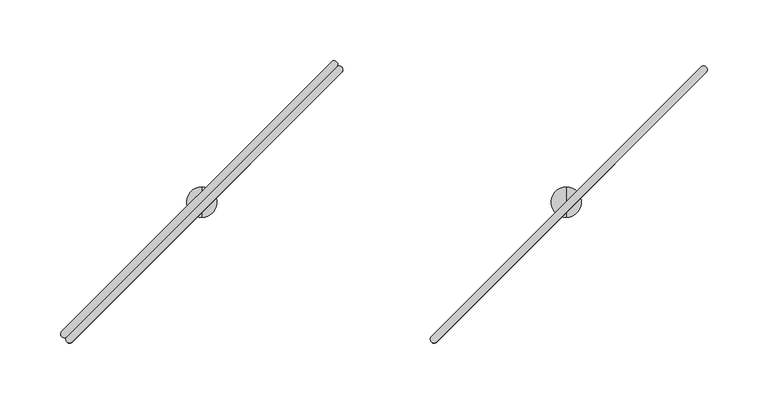
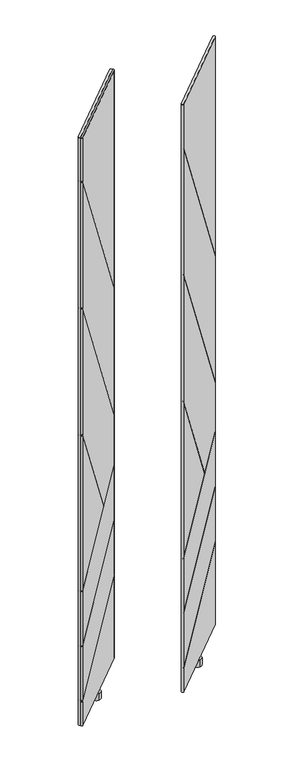
"""IFC4 building model written with IfcOpenShell, lengths in millimetres: furniture geometry."""

from ifc_helpers import new_model, si_unit, frame, origin, place, context, project, spatial, circle_curve, ellipse_curve, source, transform, mapped, element, save
from ifc_brep_helpers import plane_surface, cylinder_surface, advanced_brep


def furniture_6b65bc05(model_context):
    return source(origin(), model_context, "Body", "AdvancedBrep", [
        advanced_brep(
        [(189.0394266, -183.0083649, 1894.2939983), (193.3021387, -187.2719392, 1894.2939983), (415.3105076, 34.7398168, 1894.2939983), (411.0965142, 38.9555155, 1894.2939983), (189.0394267, -183.0083649, 44.4119983), (411.0965142, 38.9555155, 44.4119983), (415.3105076, 34.7398168, 44.4119983), (193.3021387, -187.2719392, 44.4119983), (193.3021387, -187.2719392, 120.9230364), (189.7070723, -187.7758015, 119.2357715), (189.7070723, -187.7758015, 122.9389644), (193.3021387, -187.2719392, 124.6262293), (193.3021387, -187.2719392, 294.7622819), (189.7070723, -187.7758015, 293.075073), (189.7070723, -187.7758015, 294.8972637), (193.3021387, -187.2719392, 296.5844727), (193.3021387, -187.2719392, 467.5787569), (189.7070723, -187.7758015, 465.8913563), (189.7070723, -187.7758015, 467.7135995), (193.3021387, -187.2719392, 469.401), (193.3021387, -187.2719392, 952.1281208), (189.7070723, -187.7758015, 957.1929532), (189.7070723, -187.7758015, 960.3636054), (193.3021387, -187.2719392, 955.298773), (193.3021387, -187.2719392, 1351.5829255), (189.7070723, -187.7758015, 1356.6477579), (189.7070723, -187.7758015, 1359.81841), (193.3021387, -187.2719392, 1354.7535777), (193.3021387, -187.2719392, 1751.0355622), (189.7070723, -187.7758015, 1756.1013739), (189.7070723, -187.7758015, 1759.272488), (193.3021387, -187.2719392, 1754.2066762), (415.3105076, 34.7398168, 307.4007086), (415.3105076, 34.7398168, 477.530707), (415.3105076, 34.7398168, 479.3528977), (415.3105076, 34.7398168, 650.3679393), (339.8202556, -40.7515869, 590.0357623), (340.7826171, -39.7892108, 590.8281165), (415.3105076, 34.7398168, 652.1901824), (415.3105076, 34.7398168, 802.9304065), (415.3105076, 34.7398168, 806.1010587), (415.3105076, 34.7398168, 1202.2769503), (415.3105076, 34.7398168, 1205.4480643), (415.3105076, 34.7398168, 303.6975157), (415.7462357, 38.263362, 1200.5548508), (415.7462357, 38.263362, 1197.3837367), (415.7462357, 38.263362, 801.2087912), (415.7462357, 38.263362, 798.038139), (415.7462357, 38.263362, 653.8200912), (415.7462357, 38.263362, 651.9978481), (415.7462357, 38.263362, 480.9826215), (415.7462357, 38.263362, 479.1604307), (415.7462357, 38.263362, 309.0304863), (415.7462357, 38.263362, 305.3272934), (339.23814, -38.2447337, 590.8281165), (338.2757712, -39.2071025, 590.0357623)],
        [
            (0, 1, circle_curve(frame((191.1705508, -185.1403839, 1894.2939983), z_axis=(0.0, 0.0, 1.0), x_axis=(-0.7072551987263337, -0.7069583324882551, 0.0)), 3.0144975)),
            (1, 2),
            (2, 3, circle_curve(frame((413.1513589, 36.7955352, 1894.2939983), z_axis=(0.0, 0.0, 1.0), x_axis=(0.6895472047235311, 0.7242407420588576, 0.0)), 2.9812584)),
            (3, 0),
            (4, 5),
            (5, 6, circle_curve(frame((413.1513589, 36.7955352, 44.4119983), z_axis=(0.0, 0.0, -1.0), x_axis=(0.6895472047235311, 0.7242407420588576, 0.0)), 2.9812584)),
            (6, 7),
            (7, 4, circle_curve(frame((191.1705508, -185.1403839, 44.4119983), z_axis=(0.0, 0.0, -1.0), x_axis=(-0.7072551987263337, -0.7069583324882551, 0.0)), 3.0144975)),
            (0, 4),
            (7, 8),
            (8, 9, ellipse_curve(frame((191.1705508, -185.1403839, 120.923023), z_axis=(0.3557466555065141, 0.35574665550651347, -0.8642271889913322), x_axis=(0.6111009058215596, 0.6111009058215586, 0.5031017449861808)), 3.4880845, 3.0144975)),
            (9, 10),
            (10, 11, ellipse_curve(frame((191.1705508, -185.1403839, 124.6262159), z_axis=(-0.3557466555065138, -0.3557466555065132, 0.8642271889913322), x_axis=(0.6111009058215596, 0.6111009058215585, 0.5031017449861812)), 3.4880845, 3.0144975)),
            (11, 12),
            (12, 13, ellipse_curve(frame((191.1705508, -185.1403839, 294.7622685), z_axis=(0.3557378542673982, 0.35573785426739757, -0.8642344346775678), x_axis=(0.611106029295431, 0.61110602929543, 0.5030892981544577)), 3.4880553, 3.0144975)),
            (13, 14),
            (14, 15, ellipse_curve(frame((191.1705508, -185.1403839, 296.5844593), z_axis=(-0.3557378542673982, -0.35573785426739757, 0.8642344346775679), x_axis=(0.6111060292954311, 0.6111060292954301, 0.5030892981544572)), 3.4880553, 3.0144975)),
            (15, 16),
            (16, 17, ellipse_curve(frame((191.1705508, -185.1403839, 467.5787435), z_axis=(0.35576802902276067, 0.35576802902276006, -0.8642095920843049), x_axis=(0.6110884629292728, 0.6110884629292717, 0.5031319717027326)), 3.4881556, 3.0144975)),
            (17, 18),
            (18, 19, ellipse_curve(frame((191.1705508, -185.1403839, 469.4009867), z_axis=(-0.3557680290227606, -0.35576802902276, 0.864209592084305), x_axis=(0.6110884629292728, 0.6110884629292717, 0.5031319717027324)), 3.4881556, 3.0144975)),
            (19, 20),
            (20, 21, ellipse_curve(frame((191.1705508, -185.1403839, 952.128161), z_axis=(-0.6137217711363941, -0.6137217711363931, -0.4966801538882102), x_axis=(-0.3512059048951317, -0.3512059048951311, 0.8679336522647246)), 6.0692932, 3.0144975)),
            (21, 22),
            (22, 23, ellipse_curve(frame((191.1705508, -185.1403839, 955.2988132), z_axis=(0.6137217711363941, 0.613721771136393, 0.49668015388821024), x_axis=(-0.35120590489513176, -0.3512059048951311, 0.8679336522647245)), 6.0692932, 3.0144975)),
            (23, 24),
            (24, 25, ellipse_curve(frame((191.1705508, -185.1403839, 1351.5829657), z_axis=(-0.6137217711363941, -0.6137217711363931, -0.4966801538882103), x_axis=(-0.35120590489513176, -0.3512059048951312, 0.8679336522647245)), 6.0692932, 3.0144975)),
            (25, 26),
            (26, 27, ellipse_curve(frame((191.1705508, -185.1403839, 1354.7536178), z_axis=(0.6137217711363941, 0.6137217711363931, 0.4966801538882103), x_axis=(-0.35120590489513176, -0.3512059048951312, 0.8679336522647245)), 6.0692932, 3.0144975)),
            (27, 28),
            (28, 29, ellipse_curve(frame((191.1705508, -185.1403839, 1751.0356024), z_axis=(-0.6137510408992914, -0.6137510408992903, -0.4966078126550913), x_axis=(-0.351154751918634, -0.3511547519186334, 0.8679750459603811)), 6.0701774, 3.0144975)),
            (29, 30),
            (30, 31, ellipse_curve(frame((191.1705508, -185.1403839, 1754.2067164), z_axis=(0.6137510408992906, 0.6137510408992916, 0.4966078126550908), x_axis=(-0.351154751918633, -0.35115475191863355, 0.8679750459603813)), 6.0701774, 3.0144975)),
            (31, 1),
            (11, 32),
            (32, 33),
            (33, 12),
            (15, 34),
            (34, 35),
            (35, 16),
            (19, 36),
            (36, 20),
            (23, 37),
            (37, 38),
            (38, 39),
            (39, 24),
            (27, 40),
            (40, 41),
            (41, 28),
            (31, 42),
            (42, 2),
            (6, 43),
            (43, 8),
            (42, 44, ellipse_curve(frame((413.1513589, 36.7955352, 1205.5758926), z_axis=(0.6137510408992906, 0.6137510408992916, 0.4966078126550908), x_axis=(-0.351154751918633, -0.35115475191863355, 0.8679750459603813)), 6.003245, 2.9812584)),
            (44, 45),
            (45, 41, ellipse_curve(frame((413.1513589, 36.7955352, 1202.4047785), z_axis=(-0.6137510408992914, -0.6137510408992903, -0.4966078126550913), x_axis=(-0.351154751918634, -0.3511547519186334, 0.8679750459603811)), 6.003245, 2.9812584)),
            (40, 46, ellipse_curve(frame((413.1513589, 36.7955352, 806.2288622), z_axis=(0.6137217711363941, 0.6137217711363931, 0.4966801538882103), x_axis=(-0.35120590489513176, -0.3512059048951312, 0.8679336522647245)), 6.0023706, 2.9812584)),
            (46, 47),
            (47, 39, ellipse_curve(frame((413.1513589, 36.7955352, 803.0582101), z_axis=(-0.6137217711363941, -0.6137217711363931, -0.4966801538882103), x_axis=(-0.35120590489513176, -0.3512059048951312, 0.8679336522647245)), 6.0023706, 2.9812584)),
            (38, 48, ellipse_curve(frame((413.1513589, 36.7955352, 652.1476034), z_axis=(-0.355768029022761, -0.3557680290227604, 0.8642095920843047), x_axis=(0.6110884629292725, 0.6110884629292714, 0.5031319717027329)), 3.4496937, 2.9812584)),
            (48, 49),
            (49, 35, ellipse_curve(frame((413.1513589, 36.7955352, 650.3253602), z_axis=(0.35576802902276067, 0.35576802902276006, -0.8642095920843049), x_axis=(0.6110884629292728, 0.6110884629292717, 0.5031319717027326)), 3.4496937, 2.9812584)),
            (34, 50, ellipse_curve(frame((413.1513589, 36.7955352, 479.3103235), z_axis=(-0.3557378542673982, -0.35573785426739757, 0.8642344346775679), x_axis=(0.6111060292954311, 0.6111060292954301, 0.5030892981544572)), 3.4495945, 2.9812584)),
            (50, 51),
            (51, 33, ellipse_curve(frame((413.1513589, 36.7955352, 477.4881328), z_axis=(0.3557378542673982, 0.35573785426739757, -0.8642344346775678), x_axis=(0.611106029295431, 0.61110602929543, 0.5030892981544577)), 3.4495945, 2.9812584)),
            (32, 52, ellipse_curve(frame((413.1513589, 36.7955352, 307.3581329), z_axis=(-0.3557466555065138, -0.3557466555065132, 0.8642271889913322), x_axis=(0.6111009058215596, 0.6111009058215585, 0.5031017449861812)), 3.4496234, 2.9812584)),
            (52, 53),
            (53, 43, ellipse_curve(frame((413.1513589, 36.7955352, 303.65494), z_axis=(0.3557466555065141, 0.35574665550651347, -0.8642271889913322), x_axis=(0.6111009058215596, 0.6111009058215586, 0.5031017449861808)), 3.4496234, 2.9812584)),
            (5, 3),
            (9, 53),
            (52, 10),
            (29, 45),
            (44, 30),
            (25, 47),
            (46, 26),
            (13, 51),
            (50, 14),
            (54, 22),
            (21, 55),
            (55, 18),
            (17, 49),
            (48, 54),
            (37, 54),
            (36, 55),
        ],
        [
            plane_surface(frame((302.1871468, -74.146243, 1894.2939983), z_axis=(0.0, 0.0, 1.0000000000000002), x_axis=(-0.7072551987263422, -0.7069583324882467, 0.0))),
            plane_surface(frame((302.1871468, -74.146243, 44.4119983), z_axis=(0.0, 0.0, -1.0000000000000002), x_axis=(-0.7072551987263422, -0.7069583324882467, 0.0))),
            cylinder_surface(frame((191.1705508, -185.1403839, 44.4119983), z_axis=(0.0, 0.0, 1.0), x_axis=(-0.7072551987263337, -0.7069583324882551, 0.0)), 3.0144975),
            plane_surface(frame((304.3063231, -76.2660612, 44.4119983), z_axis=(0.7071121751659858, -0.7071013871659624, 0.0), x_axis=(0.7071013871659624, 0.7071121751659858, 0.0))),
            cylinder_surface(frame((413.1513589, 36.7955352, 44.4119983), z_axis=(0.0, 0.0, 1.0), x_axis=(0.6895472047235311, 0.7242407420588576, 0.0)), 2.9812584),
            plane_surface(frame((300.0679705, -72.0264247, 44.4119983), z_axis=(-0.7069583324882512, 0.7072551987263376, 0.0), x_axis=(-0.7072551987263376, -0.7069583324882512, 0.0))),
            plane_surface(frame((206.1575445, -171.3253292, 132.7789707), z_axis=(0.7071067811865472, -0.7071067811865481, 0.0), x_axis=(-0.6111009058215594, -0.6111009058215585, -0.5031017449861812))),
            plane_surface(frame((206.9763825, -210.0196182, 117.1880877), z_axis=(-0.3557466555065141, -0.35574665550651347, 0.8642271889913322), x_axis=(-0.7071067811865469, 0.7071067811865481, 0.0))),
            plane_surface(frame((444.4067973, 27.4107966, 316.3608911), z_axis=(0.35574665550651385, 0.35574665550651324, -0.8642271889913324), x_axis=(-0.7071067811865469, 0.7071067811865481, 0.0))),
            plane_surface(frame((206.9763825, -210.0196182, 1762.2493009), z_axis=(0.6137510408992913, 0.6137510408992902, 0.4966078126550912), x_axis=(-0.7071067811865469, 0.7071067811865481, 0.0))),
            plane_surface(frame((444.4067973, 27.4107966, 1178.5461832), z_axis=(-0.6137510408992906, -0.6137510408992916, -0.4966078126550908), x_axis=(-0.7071067811865481, 0.7071067811865469, 0.0))),
            plane_surface(frame((206.9763825, -210.0196182, 1362.7944962), z_axis=(0.6137217711363941, 0.6137217711363931, 0.4966801538882103), x_axis=(-0.7071067811865469, 0.7071067811865481, 0.0))),
            plane_surface(frame((444.4067973, 27.4107966, 779.2043786), z_axis=(-0.6137217711363941, -0.6137217711363931, -0.4966801538882103), x_axis=(-0.7071067811865469, 0.7071067811865481, 0.0))),
            plane_surface(frame((206.9763825, -210.0196182, 463.8435078), z_axis=(-0.35576802902276067, -0.35576802902276006, 0.8642095920843049), x_axis=(-0.7071067811865469, 0.7071067811865481, 0.0))),
            plane_surface(frame((444.4067973, 27.4107966, 661.1510857), z_axis=(0.355768029022761, 0.3557680290227604, -0.8642095920843047), x_axis=(-0.7071067811865469, 0.7071067811865481, 0.0))),
            plane_surface(frame((206.9763825, -210.0196182, 291.0274569), z_axis=(-0.3557378542673982, -0.35573785426739757, 0.8642344346775678), x_axis=(-0.7071067811865469, 0.7071067811865481, 0.0))),
            plane_surface(frame((444.4067973, 27.4107966, 488.3127834), z_axis=(0.3557378542673982, 0.35573785426739757, -0.8642344346775679), x_axis=(-0.7071067811865469, 0.7071067811865481, 0.0))),
            plane_surface(frame((358.9947035, -58.0012972, 590.8281165), z_axis=(-0.6137217711363941, -0.613721771136393, -0.49668015388821024), x_axis=(-0.7071067811865469, 0.7071067811865481, 0.0))),
            plane_surface(frame((206.9763825, -210.0196182, 963.3396916), z_axis=(0.6137217711363941, 0.6137217711363931, 0.4966801538882102), x_axis=(-0.7071067811865469, 0.7071067811865481, 0.0))),
            plane_surface(frame((358.0323347, -58.963666, 590.0357623), z_axis=(0.3557680290227606, 0.35576802902276, -0.864209592084305), x_axis=(-0.7071067811865469, 0.7071067811865481, 0.0))),
        ],
        [
            (0, [[1, 2, 3, 4]]),
            (1, [[5, 6, 7, 8]]),
            (2, [[-1, 9, -8, 10, 11, 12, 13, 14, 15, 16, 17, 18, 19, 20, 21, 22, 23, 24, 25, 26, 27, 28, 29, 30, 31, 32, 33, 34]]),
            (3, [[-14, 35, 36, 37]]),
            (3, [[-18, 38, 39, 40]]),
            (3, [[-22, 41, 42]]),
            (3, [[-26, 43, 44, 45, 46]]),
            (3, [[-30, 47, 48, 49]]),
            (3, [[-2, -34, 50, 51]]),
            (3, [[-7, 52, 53, -10]]),
            (4, [[-3, -51, 54, 55, 56, -48, 57, 58, 59, -45, 60, 61, 62, -39, 63, 64, 65, -36, 66, 67, 68, -52, -6, 69]]),
            (5, [[-4, -69, -5, -9]]),
            (6, [[70, -67, 71, -12]]),
            (6, [[72, -55, 73, -32]]),
            (6, [[74, -58, 75, -28]]),
            (6, [[76, -64, 77, -16]]),
            (6, [[78, -24, 79, 80, -20, 81, -61, 82]]),
            (7, [[-70, -11, -53, -68]]),
            (8, [[-71, -66, -35, -13]]),
            (9, [[-72, -31, -49, -56]]),
            (10, [[-73, -54, -50, -33]]),
            (11, [[-74, -27, -46, -59]]),
            (12, [[-75, -57, -47, -29]]),
            (13, [[-81, -19, -40, -62]]),
            (14, [[-82, -60, -44, 83]]),
            (15, [[-76, -15, -37, -65]]),
            (16, [[-77, -63, -38, -17]]),
            (17, [[-78, -83, -43, -25]]),
            (18, [[-79, -23, -42, 84]]),
            (19, [[-80, -84, -41, -21]]),
        ],
    ),
        advanced_brep(
        [(299.9994, -84.5709522, 44.4119983), (299.9994, -59.5748171, 44.4119983), (299.9994, -59.5748171, 23.6755986), (299.9994, -84.5709522, 23.6755986), (299.9994, -72.0728847, 44.4119983), (299.9994, -72.0728847, 23.6755986)],
        [
            (0, 1, circle_curve(frame((299.9994, -72.0728847, 44.4119983), z_axis=(0.0, 0.0, -1.0), x_axis=(0.0, 1.0, 0.0)), 12.4980675)),
            (1, 2),
            (2, 3, circle_curve(frame((299.9994, -72.0728847, 23.6755986), z_axis=(0.0, 0.0, 1.0), x_axis=(0.0, 1.0, 0.0)), 12.4980675)),
            (3, 0),
            (4, 1),
            (0, 4),
            (0, 1, circle_curve(frame((299.9994, -72.0728847, 44.4119983), z_axis=(0.0, 0.0, 1.0), x_axis=(0.0, 1.0, 0.0)), 12.4980675)),
            (2, 5),
            (5, 3),
            (2, 3, circle_curve(frame((299.9994, -72.0728847, 23.6755986), z_axis=(0.0, 0.0, -1.0), x_axis=(0.0, 1.0, 0.0)), 12.4980675)),
        ],
        [
            cylinder_surface(frame((299.9994, -72.0728847, 51.9527758), z_axis=(0.0, 0.0, 1.0), x_axis=(0.0, 1.0, 0.0)), 12.4980675),
            plane_surface(frame((299.9994, -72.0728847, 44.4119983), z_axis=(0.0, 0.0, 1.0), x_axis=(0.0, 1.0, 0.0))),
            plane_surface(frame((299.9994, -72.0728847, 23.6755986), z_axis=(0.0, 0.0, -1.0), x_axis=(0.0, 1.0, 0.0))),
        ],
        [
            (0, [[1, 2, 3, 4]]),
            (1, [[5, -1, 6]]),
            (1, [[-6, 7, -5]]),
            (2, [[-3, 8, 9]]),
            (2, [[10, -9, -8]]),
            (0, [[-7, -4, -10, -2]]),
        ],
    ),
        advanced_brep(
        [(-110.9206656, -183.0476726, 1894.2939983), (111.0432147, 39.0094149, 1894.2939983), (106.8275161, 43.2234083, 1894.2939983), (-115.18424, -178.7849606, 1894.2939983), (-110.9206656, -183.0476726, 44.4119983), (-115.18424, -178.7849606, 44.4119983), (106.8275161, 43.2234083, 44.4119983), (111.0432147, 39.0094149, 44.4119983), (-115.18424, -178.7849606, 1754.2066762), (-115.6881022, -182.380027, 1759.272488), (-115.6881022, -182.380027, 1756.1013739), (-115.18424, -178.7849606, 1751.0355622), (-115.18424, -178.7849606, 1354.7535777), (-115.6881022, -182.380027, 1359.81841), (-115.6881022, -182.380027, 1356.6477579), (-115.18424, -178.7849606, 1351.5829255), (-115.18424, -178.7849606, 955.298773), (-115.6881022, -182.380027, 960.3636054), (-115.6881022, -182.380027, 957.1929532), (-115.18424, -178.7849606, 952.1281208), (-115.18424, -178.7849606, 469.401), (-115.6881022, -182.380027, 467.7135995), (-115.6881022, -182.380027, 465.8913563), (-115.18424, -178.7849606, 467.5787569), (-115.18424, -178.7849606, 296.5844727), (-115.6881022, -182.380027, 294.8972637), (-115.6881022, -182.380027, 293.075073), (-115.18424, -178.7849606, 294.7622819), (-115.18424, -178.7849606, 124.6262293), (-115.6881022, -182.380027, 122.9389644), (-115.6881022, -182.380027, 119.2357715), (-115.18424, -178.7849606, 120.9230364), (106.8275161, 43.2234083, 1205.4480643), (106.8275161, 43.2234083, 303.6975157), (106.8275161, 43.2234083, 1202.2769503), (106.8275161, 43.2234083, 806.1010587), (106.8275161, 43.2234083, 802.9304065), (106.8275161, 43.2234083, 652.1901824), (32.2984885, -31.3044822, 590.8281165), (31.3361124, -32.2668437, 590.0357623), (106.8275161, 43.2234083, 650.3679393), (106.8275161, 43.2234083, 479.3528977), (106.8275161, 43.2234083, 477.530707), (106.8275161, 43.2234083, 307.4007086), (110.3510612, 43.6591364, 305.3272934), (110.3510612, 43.6591364, 309.0304863), (110.3510612, 43.6591364, 479.1604307), (110.3510612, 43.6591364, 480.9826215), (110.3510612, 43.6591364, 651.9978481), (110.3510612, 43.6591364, 653.8200912), (110.3510612, 43.6591364, 798.038139), (110.3510612, 43.6591364, 801.2087912), (110.3510612, 43.6591364, 1197.3837367), (110.3510612, 43.6591364, 1200.5548508), (33.8429656, -32.8489592, 590.8281165), (32.8805967, -33.811328, 590.0357623)],
        [
            (0, 1),
            (1, 2, circle_curve(frame((108.8832345, 41.0642596, 1894.2939983), z_axis=(0.0, 0.0, 1.0), x_axis=(0.6892541380737184, 0.724519656840486, 0.0)), 2.9812584)),
            (2, 3),
            (3, 0, circle_curve(frame((-113.0526846, -180.9165485, 1894.2939983), z_axis=(0.0, 0.0, 1.0), x_axis=(-0.7071121751659861, -0.7071013871659622, 0.0)), 3.0144975)),
            (4, 5, circle_curve(frame((-113.0526846, -180.9165485, 44.4119983), z_axis=(0.0, 0.0, -1.0), x_axis=(-0.7071121751659861, -0.7071013871659622, 0.0)), 3.0144975)),
            (5, 6),
            (6, 7, circle_curve(frame((108.8832345, 41.0642596, 44.4119983), z_axis=(0.0, 0.0, -1.0), x_axis=(0.6892541380737184, 0.724519656840486, 0.0)), 2.9812584)),
            (7, 4),
            (3, 8),
            (8, 9, ellipse_curve(frame((-113.0526846, -180.9165485, 1754.2067164), z_axis=(0.6137510408992909, 0.6137510408992904, 0.4966078126550915), x_axis=(-0.3511547519186339, -0.35115475191863366, 0.867975045960381)), 6.0701774, 3.0144975)),
            (9, 10),
            (10, 11, ellipse_curve(frame((-113.0526846, -180.9165485, 1751.0356024), z_axis=(-0.6137510408992913, -0.6137510408992902, -0.49660781265509124), x_axis=(-0.3511547519186339, -0.35115475191863327, 0.8679750459603811)), 6.0701774, 3.0144975)),
            (11, 12),
            (12, 13, ellipse_curve(frame((-113.0526846, -180.9165485, 1354.7536178), z_axis=(0.6137217711363938, 0.6137217711363934, 0.4966801538882105), x_axis=(-0.3512059048951318, -0.35120590489513154, 0.8679336522647244)), 6.0692932, 3.0144975)),
            (13, 14),
            (14, 15, ellipse_curve(frame((-113.0526846, -180.9165485, 1351.5829657), z_axis=(-0.6137217711363929, -0.613721771136394, -0.4966801538882105), x_axis=(-0.3512059048951313, -0.3512059048951319, 0.8679336522647244)), 6.0692932, 3.0144975)),
            (15, 16),
            (16, 17, ellipse_curve(frame((-113.0526846, -180.9165485, 955.2988132), z_axis=(0.6137217711363938, 0.6137217711363934, 0.49668015388821035), x_axis=(-0.35120590489513165, -0.35120590489513137, 0.8679336522647245)), 6.0692932, 3.0144975)),
            (17, 18),
            (18, 19, ellipse_curve(frame((-113.0526846, -180.9165485, 952.128161), z_axis=(-0.613721771136394, -0.6137217711363929, -0.4966801538882105), x_axis=(-0.3512059048951319, -0.3512059048951313, 0.8679336522647244)), 6.0692932, 3.0144975)),
            (19, 20),
            (20, 21, ellipse_curve(frame((-113.0526846, -180.9165485, 469.4009867), z_axis=(-0.35576802902276056, -0.35576802902275995, 0.8642095920843049), x_axis=(0.6110884629292727, 0.6110884629292717, 0.5031319717027327)), 3.4881556, 3.0144975)),
            (21, 22),
            (22, 23, ellipse_curve(frame((-113.0526846, -180.9165485, 467.5787435), z_axis=(0.35576802902276056, 0.35576802902275995, -0.8642095920843049), x_axis=(0.6110884629292727, 0.6110884629292717, 0.5031319717027327)), 3.4881556, 3.0144975)),
            (23, 24),
            (24, 25, ellipse_curve(frame((-113.0526846, -180.9165485, 296.5844593), z_axis=(-0.3557378542673982, -0.35573785426739757, 0.8642344346775679), x_axis=(0.6111060292954311, 0.6111060292954301, 0.5030892981544572)), 3.4880553, 3.0144975)),
            (25, 26),
            (26, 27, ellipse_curve(frame((-113.0526846, -180.9165485, 294.7622685), z_axis=(0.35573785426739823, 0.3557378542673976, -0.8642344346775679), x_axis=(0.6111060292954312, 0.6111060292954301, 0.5030892981544572)), 3.4880553, 3.0144975)),
            (27, 28),
            (28, 29, ellipse_curve(frame((-113.0526846, -180.9165485, 124.6262159), z_axis=(-0.3557466555065138, -0.3557466555065132, 0.8642271889913322), x_axis=(0.6111009058215596, 0.6111009058215585, 0.5031017449861812)), 3.4880845, 3.0144975)),
            (29, 30),
            (30, 31, ellipse_curve(frame((-113.0526846, -180.9165485, 120.923023), z_axis=(0.3557466555065137, 0.3557466555065131, -0.8642271889913324), x_axis=(0.6111009058215598, 0.6111009058215587, 0.5031017449861805)), 3.4880845, 3.0144975)),
            (31, 5),
            (4, 0),
            (2, 32),
            (32, 8),
            (31, 33),
            (33, 6),
            (11, 34),
            (34, 35),
            (35, 12),
            (15, 36),
            (36, 37),
            (37, 38),
            (38, 16),
            (19, 39),
            (39, 20),
            (23, 40),
            (40, 41),
            (41, 24),
            (27, 42),
            (42, 43),
            (43, 28),
            (1, 7),
            (33, 44, ellipse_curve(frame((108.8832345, 41.0642596, 303.65494), z_axis=(0.3557466555065137, 0.3557466555065131, -0.8642271889913324), x_axis=(0.6111009058215598, 0.6111009058215587, 0.5031017449861805)), 3.4496234, 2.9812584)),
            (44, 45),
            (45, 43, ellipse_curve(frame((108.8832345, 41.0642596, 307.3581329), z_axis=(-0.3557466555065138, -0.3557466555065132, 0.8642271889913322), x_axis=(0.6111009058215596, 0.6111009058215585, 0.5031017449861812)), 3.4496234, 2.9812584)),
            (42, 46, ellipse_curve(frame((108.8832345, 41.0642596, 477.4881328), z_axis=(0.35573785426739823, 0.3557378542673976, -0.8642344346775679), x_axis=(0.6111060292954312, 0.6111060292954301, 0.5030892981544572)), 3.4495945, 2.9812584)),
            (46, 47),
            (47, 41, ellipse_curve(frame((108.8832345, 41.0642596, 479.3103235), z_axis=(-0.3557378542673982, -0.35573785426739757, 0.8642344346775679), x_axis=(0.6111060292954311, 0.6111060292954301, 0.5030892981544572)), 3.4495945, 2.9812584)),
            (40, 48, ellipse_curve(frame((108.8832345, 41.0642596, 650.3253602), z_axis=(0.35576802902276056, 0.35576802902275995, -0.8642095920843049), x_axis=(0.6110884629292727, 0.6110884629292717, 0.5031319717027327)), 3.4496937, 2.9812584)),
            (48, 49),
            (49, 37, ellipse_curve(frame((108.8832345, 41.0642596, 652.1476034), z_axis=(-0.35576802902276056, -0.35576802902275995, 0.8642095920843049), x_axis=(0.6110884629292727, 0.6110884629292717, 0.5031319717027327)), 3.4496937, 2.9812584)),
            (36, 50, ellipse_curve(frame((108.8832345, 41.0642596, 803.0582101), z_axis=(-0.6137217711363929, -0.613721771136394, -0.4966801538882105), x_axis=(-0.3512059048951313, -0.3512059048951319, 0.8679336522647244)), 6.0023706, 2.9812584)),
            (50, 51),
            (51, 35, ellipse_curve(frame((108.8832345, 41.0642596, 806.2288622), z_axis=(0.6137217711363938, 0.6137217711363934, 0.4966801538882105), x_axis=(-0.3512059048951318, -0.35120590489513154, 0.8679336522647244)), 6.0023706, 2.9812584)),
            (34, 52, ellipse_curve(frame((108.8832345, 41.0642596, 1202.4047785), z_axis=(-0.6137510408992913, -0.6137510408992902, -0.49660781265509124), x_axis=(-0.3511547519186339, -0.35115475191863327, 0.8679750459603811)), 6.003245, 2.9812584)),
            (52, 53),
            (53, 32, ellipse_curve(frame((108.8832345, 41.0642596, 1205.5758926), z_axis=(0.6137510408992909, 0.6137510408992904, 0.4966078126550915), x_axis=(-0.3511547519186339, -0.35115475191863366, 0.867975045960381)), 6.003245, 2.9812584)),
            (29, 45),
            (44, 30),
            (9, 53),
            (52, 10),
            (13, 51),
            (50, 14),
            (54, 49),
            (48, 22),
            (21, 55),
            (55, 18),
            (17, 54),
            (25, 47),
            (46, 26),
            (54, 38),
            (55, 39),
        ],
        [
            plane_surface(frame((-2.0585437, -69.8999525, 1894.2939983), z_axis=(0.0, 0.0, 1.0000000000000002), x_axis=(0.7069583324882522, 0.7072551987263367, 0.0))),
            plane_surface(frame((-2.0585437, -69.8999525, 44.4119983), z_axis=(0.0, 0.0, -1.0000000000000002), x_axis=(0.7069583324882522, 0.7072551987263367, 0.0))),
            cylinder_surface(frame((-113.0526846, -180.9165485, 44.4119983), z_axis=(0.0, 0.0, 1.0), x_axis=(-0.7071121751659861, -0.7071013871659622, 0.0)), 3.0144975),
            plane_surface(frame((-4.1783619, -67.7807761, 44.4119983), z_axis=(-0.7071013871659615, 0.7071121751659868, 0.0), x_axis=(-0.7071121751659868, -0.7071013871659615, 0.0))),
            cylinder_surface(frame((108.8832345, 41.0642596, 44.4119983), z_axis=(0.0, 0.0, 1.0), x_axis=(0.6892541380737184, 0.724519656840486, 0.0)), 2.9812584),
            plane_surface(frame((0.0612746, -72.0191288, 44.4119983), z_axis=(0.7072551987263367, -0.7069583324882522, 0.0), x_axis=(0.7069583324882522, 0.7072551987263367, 0.0))),
            plane_surface(frame((-118.1753555, -184.8672803, 1753.0132577), z_axis=(-0.7071067811865472, 0.707106781186548, 0.0), x_axis=(0.0, 0.0, -1.0))),
            plane_surface(frame((99.4984959, 72.3196981, 312.6576982), z_axis=(-0.3557466555065137, -0.3557466555065131, 0.8642271889913324), x_axis=(0.7071067811865469, -0.7071067811865481, 0.0))),
            plane_surface(frame((-137.9319189, -165.1107168, 120.8912806), z_axis=(0.35574665550651385, 0.35574665550651324, -0.8642271889913324), x_axis=(0.7071067811865469, -0.7071067811865481, 0.0))),
            plane_surface(frame((99.4984959, 72.3196981, 1175.3750692), z_axis=(0.6137510408992913, 0.6137510408992902, 0.49660781265509124), x_axis=(0.7071067811865469, -0.7071067811865481, 0.0))),
            plane_surface(frame((-137.9319189, -165.1107168, 1765.4204149), z_axis=(-0.6137510408992909, -0.6137510408992904, -0.4966078126550915), x_axis=(0.7071067811865472, -0.7071067811865478, 0.0))),
            plane_surface(frame((99.4984959, 72.3196981, 776.0337264), z_axis=(0.6137217711363929, 0.613721771136394, 0.4966801538882105), x_axis=(0.7071067811865481, -0.7071067811865469, 0.0))),
            plane_surface(frame((-137.9319189, -165.1107168, 1365.9651484), z_axis=(-0.6137217711363938, -0.6137217711363934, -0.4966801538882105), x_axis=(0.7071067811865472, -0.7071067811865478, 0.0))),
            plane_surface(frame((99.4984959, 72.3196981, 659.3288426), z_axis=(-0.3557680290227606, -0.35576802902276, 0.8642095920843051), x_axis=(0.7071067811865469, -0.7071067811865481, 0.0))),
            plane_surface(frame((14.0864021, -13.0923958, 590.8281165), z_axis=(0.3557680290227606, 0.35576802902276, -0.8642095920843051), x_axis=(0.7071067811865469, -0.7071067811865481, 0.0))),
            plane_surface(frame((99.4984959, 72.3196981, 486.4905927), z_axis=(-0.35573785426739823, -0.3557378542673976, 0.8642344346775679), x_axis=(0.7071067811865469, -0.7071067811865481, 0.0))),
            plane_surface(frame((-137.9319189, -165.1107168, 292.8496477), z_axis=(0.3557378542673982, 0.35573785426739757, -0.8642344346775679), x_axis=(0.7071067811865469, -0.7071067811865481, 0.0))),
            plane_surface(frame((-137.9319189, -165.1107168, 966.5103438), z_axis=(-0.6137217711363938, -0.6137217711363934, -0.49668015388821035), x_axis=(0.7071067811865472, -0.7071067811865478, 0.0))),
            plane_surface(frame((13.1240333, -14.0547646, 590.0357623), z_axis=(0.613721771136394, 0.6137217711363929, 0.4966801538882105), x_axis=(0.7071067811865469, -0.7071067811865481, 0.0))),
            plane_surface(frame((-137.9319189, -165.1107168, 465.6657509), z_axis=(0.3557680290227606, 0.35576802902276, -0.8642095920843051), x_axis=(0.7071067811865469, -0.7071067811865481, 0.0))),
        ],
        [
            (0, [[1, 2, 3, 4]]),
            (1, [[5, 6, 7, 8]]),
            (2, [[-4, 9, 10, 11, 12, 13, 14, 15, 16, 17, 18, 19, 20, 21, 22, 23, 24, 25, 26, 27, 28, 29, 30, 31, 32, 33, -5, 34]]),
            (3, [[-3, 35, 36, -9]]),
            (3, [[-6, -33, 37, 38]]),
            (3, [[-13, 39, 40, 41]]),
            (3, [[-17, 42, 43, 44, 45]]),
            (3, [[-21, 46, 47]]),
            (3, [[-25, 48, 49, 50]]),
            (3, [[-29, 51, 52, 53]]),
            (4, [[-2, 54, -7, -38, 55, 56, 57, -52, 58, 59, 60, -49, 61, 62, 63, -43, 64, 65, 66, -40, 67, 68, 69, -35]]),
            (5, [[-1, -34, -8, -54]]),
            (6, [[70, -56, 71, -31]]),
            (6, [[72, -68, 73, -11]]),
            (6, [[74, -65, 75, -15]]),
            (6, [[76, -62, 77, -23, 78, 79, -19, 80]]),
            (6, [[81, -59, 82, -27]]),
            (7, [[-71, -55, -37, -32]]),
            (8, [[-70, -30, -53, -57]]),
            (9, [[-73, -67, -39, -12]]),
            (10, [[-72, -10, -36, -69]]),
            (11, [[-75, -64, -42, -16]]),
            (12, [[-74, -14, -41, -66]]),
            (13, [[-77, -61, -48, -24]]),
            (14, [[-76, 83, -44, -63]]),
            (15, [[-82, -58, -51, -28]]),
            (16, [[-81, -26, -50, -60]]),
            (17, [[-80, -18, -45, -83]]),
            (18, [[-79, 84, -46, -20]]),
            (19, [[-78, -22, -47, -84]]),
        ],
    ),
        advanced_brep(
        [(-110.9599734, -183.0083649, 1894.2939983), (-106.6972613, -187.2719392, 1894.2939983), (115.3111076, 34.7398168, 1894.2939983), (111.0971142, 38.9555155, 1894.2939983), (-110.9599733, -183.0083649, 44.4119983), (111.0971142, 38.9555155, 44.4119983), (115.3111076, 34.7398168, 44.4119983), (-106.6972613, -187.2719392, 44.4119983), (-106.6972613, -187.2719392, 120.9230364), (-110.2923277, -187.7758015, 119.2357715), (-110.2923277, -187.7758015, 122.9389644), (-106.6972613, -187.2719392, 124.6262293), (-106.6972613, -187.2719392, 294.7622819), (-110.2923277, -187.7758015, 293.075073), (-110.2923277, -187.7758015, 294.8972637), (-106.6972613, -187.2719392, 296.5844727), (-106.6972613, -187.2719392, 467.5787569), (-110.2923277, -187.7758015, 465.8913563), (-110.2923277, -187.7758015, 467.7135995), (-106.6972613, -187.2719392, 469.401), (-106.6972613, -187.2719392, 952.1281208), (-110.2923277, -187.7758015, 957.1929532), (-110.2923277, -187.7758015, 960.3636054), (-106.6972613, -187.2719392, 955.298773), (-106.6972613, -187.2719392, 1351.5829255), (-110.2923277, -187.7758015, 1356.6477579), (-110.2923277, -187.7758015, 1359.81841), (-106.6972613, -187.2719392, 1354.7535777), (-106.6972613, -187.2719392, 1751.0355622), (-110.2923277, -187.7758015, 1756.1013739), (-110.2923277, -187.7758015, 1759.272488), (-106.6972613, -187.2719392, 1754.2066762), (115.3111076, 34.7398168, 307.4007086), (115.3111076, 34.7398168, 477.530707), (115.3111076, 34.7398168, 479.3528977), (115.3111076, 34.7398168, 650.3679393), (39.8208556, -40.7515869, 590.0357623), (40.7832171, -39.7892108, 590.8281165), (115.3111076, 34.7398168, 652.1901824), (115.3111076, 34.7398168, 802.9304065), (115.3111076, 34.7398168, 806.1010587), (115.3111076, 34.7398168, 1202.2769503), (115.3111076, 34.7398168, 1205.4480643), (115.3111076, 34.7398168, 303.6975157), (115.7468357, 38.263362, 1200.5548508), (115.7468357, 38.263362, 1197.3837367), (115.7468357, 38.263362, 801.2087912), (115.7468357, 38.263362, 798.038139), (115.7468357, 38.263362, 653.8200912), (115.7468357, 38.263362, 651.9978481), (115.7468357, 38.263362, 480.9826215), (115.7468357, 38.263362, 479.1604307), (115.7468357, 38.263362, 309.0304863), (115.7468357, 38.263362, 305.3272934), (39.23874, -38.2447337, 590.8281165), (38.2763712, -39.2071025, 590.0357623)],
        [
            (0, 1, circle_curve(frame((-108.8288492, -185.1403839, 1894.2939983), z_axis=(0.0, 0.0, 1.0), x_axis=(-0.7072551987263337, -0.7069583324882551, 0.0)), 3.0144975)),
            (1, 2),
            (2, 3, circle_curve(frame((113.1519589, 36.7955352, 1894.2939983), z_axis=(0.0, 0.0, 1.0), x_axis=(0.6895472047235311, 0.7242407420588576, 0.0)), 2.9812584)),
            (3, 0),
            (4, 5),
            (5, 6, circle_curve(frame((113.1519589, 36.7955352, 44.4119983), z_axis=(0.0, 0.0, -1.0), x_axis=(0.6895472047235311, 0.7242407420588576, 0.0)), 2.9812584)),
            (6, 7),
            (7, 4, circle_curve(frame((-108.8288492, -185.1403839, 44.4119983), z_axis=(0.0, 0.0, -1.0), x_axis=(-0.7072551987263337, -0.7069583324882551, 0.0)), 3.0144975)),
            (0, 4),
            (7, 8),
            (8, 9, ellipse_curve(frame((-108.8288492, -185.1403839, 120.923023), z_axis=(0.3557466555065141, 0.35574665550651347, -0.8642271889913322), x_axis=(0.6111009058215596, 0.6111009058215586, 0.5031017449861808)), 3.4880845, 3.0144975)),
            (9, 10),
            (10, 11, ellipse_curve(frame((-108.8288492, -185.1403839, 124.6262159), z_axis=(-0.3557466555065138, -0.3557466555065132, 0.8642271889913322), x_axis=(0.6111009058215596, 0.6111009058215585, 0.5031017449861812)), 3.4880845, 3.0144975)),
            (11, 12),
            (12, 13, ellipse_curve(frame((-108.8288492, -185.1403839, 294.7622685), z_axis=(0.3557378542673982, 0.35573785426739757, -0.8642344346775678), x_axis=(0.611106029295431, 0.61110602929543, 0.5030892981544577)), 3.4880553, 3.0144975)),
            (13, 14),
            (14, 15, ellipse_curve(frame((-108.8288492, -185.1403839, 296.5844593), z_axis=(-0.3557378542673982, -0.35573785426739757, 0.8642344346775679), x_axis=(0.6111060292954311, 0.6111060292954301, 0.5030892981544572)), 3.4880553, 3.0144975)),
            (15, 16),
            (16, 17, ellipse_curve(frame((-108.8288492, -185.1403839, 467.5787435), z_axis=(0.35576802902276067, 0.35576802902276006, -0.8642095920843049), x_axis=(0.6110884629292728, 0.6110884629292717, 0.5031319717027326)), 3.4881556, 3.0144975)),
            (17, 18),
            (18, 19, ellipse_curve(frame((-108.8288492, -185.1403839, 469.4009867), z_axis=(-0.3557680290227606, -0.35576802902276, 0.864209592084305), x_axis=(0.6110884629292728, 0.6110884629292717, 0.5031319717027324)), 3.4881556, 3.0144975)),
            (19, 20),
            (20, 21, ellipse_curve(frame((-108.8288492, -185.1403839, 952.128161), z_axis=(-0.6137217711363941, -0.6137217711363931, -0.4966801538882102), x_axis=(-0.3512059048951317, -0.3512059048951311, 0.8679336522647246)), 6.0692932, 3.0144975)),
            (21, 22),
            (22, 23, ellipse_curve(frame((-108.8288492, -185.1403839, 955.2988132), z_axis=(0.6137217711363941, 0.613721771136393, 0.49668015388821024), x_axis=(-0.35120590489513176, -0.3512059048951311, 0.8679336522647245)), 6.0692932, 3.0144975)),
            (23, 24),
            (24, 25, ellipse_curve(frame((-108.8288492, -185.1403839, 1351.5829657), z_axis=(-0.6137217711363941, -0.6137217711363931, -0.4966801538882103), x_axis=(-0.35120590489513176, -0.3512059048951312, 0.8679336522647245)), 6.0692932, 3.0144975)),
            (25, 26),
            (26, 27, ellipse_curve(frame((-108.8288492, -185.1403839, 1354.7536178), z_axis=(0.6137217711363941, 0.6137217711363931, 0.4966801538882103), x_axis=(-0.35120590489513176, -0.3512059048951312, 0.8679336522647245)), 6.0692932, 3.0144975)),
            (27, 28),
            (28, 29, ellipse_curve(frame((-108.8288492, -185.1403839, 1751.0356024), z_axis=(-0.6137510408992914, -0.6137510408992903, -0.4966078126550913), x_axis=(-0.351154751918634, -0.3511547519186334, 0.8679750459603811)), 6.0701774, 3.0144975)),
            (29, 30),
            (30, 31, ellipse_curve(frame((-108.8288492, -185.1403839, 1754.2067164), z_axis=(0.6137510408992906, 0.6137510408992916, 0.4966078126550908), x_axis=(-0.351154751918633, -0.35115475191863355, 0.8679750459603813)), 6.0701774, 3.0144975)),
            (31, 1),
            (11, 32),
            (32, 33),
            (33, 12),
            (15, 34),
            (34, 35),
            (35, 16),
            (19, 36),
            (36, 20),
            (23, 37),
            (37, 38),
            (38, 39),
            (39, 24),
            (27, 40),
            (40, 41),
            (41, 28),
            (31, 42),
            (42, 2),
            (6, 43),
            (43, 8),
            (42, 44, ellipse_curve(frame((113.1519589, 36.7955352, 1205.5758926), z_axis=(0.6137510408992906, 0.6137510408992916, 0.4966078126550908), x_axis=(-0.351154751918633, -0.35115475191863355, 0.8679750459603813)), 6.003245, 2.9812584)),
            (44, 45),
            (45, 41, ellipse_curve(frame((113.1519589, 36.7955352, 1202.4047785), z_axis=(-0.6137510408992914, -0.6137510408992903, -0.4966078126550913), x_axis=(-0.351154751918634, -0.3511547519186334, 0.8679750459603811)), 6.003245, 2.9812584)),
            (40, 46, ellipse_curve(frame((113.1519589, 36.7955352, 806.2288622), z_axis=(0.6137217711363941, 0.6137217711363931, 0.4966801538882103), x_axis=(-0.35120590489513176, -0.3512059048951312, 0.8679336522647245)), 6.0023706, 2.9812584)),
            (46, 47),
            (47, 39, ellipse_curve(frame((113.1519589, 36.7955352, 803.0582101), z_axis=(-0.6137217711363941, -0.6137217711363931, -0.4966801538882103), x_axis=(-0.35120590489513176, -0.3512059048951312, 0.8679336522647245)), 6.0023706, 2.9812584)),
            (38, 48, ellipse_curve(frame((113.1519589, 36.7955352, 652.1476034), z_axis=(-0.355768029022761, -0.3557680290227604, 0.8642095920843047), x_axis=(0.6110884629292725, 0.6110884629292714, 0.5031319717027329)), 3.4496937, 2.9812584)),
            (48, 49),
            (49, 35, ellipse_curve(frame((113.1519589, 36.7955352, 650.3253602), z_axis=(0.35576802902276067, 0.35576802902276006, -0.8642095920843049), x_axis=(0.6110884629292728, 0.6110884629292717, 0.5031319717027326)), 3.4496937, 2.9812584)),
            (34, 50, ellipse_curve(frame((113.1519589, 36.7955352, 479.3103235), z_axis=(-0.3557378542673982, -0.35573785426739757, 0.8642344346775679), x_axis=(0.6111060292954311, 0.6111060292954301, 0.5030892981544572)), 3.4495945, 2.9812584)),
            (50, 51),
            (51, 33, ellipse_curve(frame((113.1519589, 36.7955352, 477.4881328), z_axis=(0.3557378542673982, 0.35573785426739757, -0.8642344346775678), x_axis=(0.611106029295431, 0.61110602929543, 0.5030892981544577)), 3.4495945, 2.9812584)),
            (32, 52, ellipse_curve(frame((113.1519589, 36.7955352, 307.3581329), z_axis=(-0.3557466555065138, -0.3557466555065132, 0.8642271889913322), x_axis=(0.6111009058215596, 0.6111009058215585, 0.5031017449861812)), 3.4496234, 2.9812584)),
            (52, 53),
            (53, 43, ellipse_curve(frame((113.1519589, 36.7955352, 303.65494), z_axis=(0.3557466555065141, 0.35574665550651347, -0.8642271889913322), x_axis=(0.6111009058215596, 0.6111009058215586, 0.5031017449861808)), 3.4496234, 2.9812584)),
            (5, 3),
            (9, 53),
            (52, 10),
            (29, 45),
            (44, 30),
            (25, 47),
            (46, 26),
            (13, 51),
            (50, 14),
            (54, 22),
            (21, 55),
            (55, 18),
            (17, 49),
            (48, 54),
            (37, 54),
            (36, 55),
        ],
        [
            plane_surface(frame((2.1877468, -74.146243, 1894.2939983), z_axis=(0.0, 0.0, 1.0000000000000002), x_axis=(-0.7072551987263422, -0.7069583324882467, 0.0))),
            plane_surface(frame((2.1877468, -74.146243, 44.4119983), z_axis=(0.0, 0.0, -1.0000000000000002), x_axis=(-0.7072551987263422, -0.7069583324882467, 0.0))),
            cylinder_surface(frame((-108.8288492, -185.1403839, 44.4119983), z_axis=(0.0, 0.0, 1.0), x_axis=(-0.7072551987263337, -0.7069583324882551, 0.0)), 3.0144975),
            plane_surface(frame((4.3069231, -76.2660612, 44.4119983), z_axis=(0.7071121751659858, -0.7071013871659624, 0.0), x_axis=(0.7071013871659624, 0.7071121751659858, 0.0))),
            cylinder_surface(frame((113.1519589, 36.7955352, 44.4119983), z_axis=(0.0, 0.0, 1.0), x_axis=(0.6895472047235311, 0.7242407420588576, 0.0)), 2.9812584),
            plane_surface(frame((0.0685705, -72.0264247, 44.4119983), z_axis=(-0.7069583324882512, 0.7072551987263376, 0.0), x_axis=(-0.7072551987263376, -0.7069583324882512, 0.0))),
            plane_surface(frame((-93.8418555, -171.3253292, 132.7789707), z_axis=(0.7071067811865472, -0.7071067811865481, 0.0), x_axis=(-0.6111009058215594, -0.6111009058215585, -0.5031017449861812))),
            plane_surface(frame((-93.0230175, -210.0196182, 117.1880877), z_axis=(-0.3557466555065141, -0.35574665550651347, 0.8642271889913322), x_axis=(-0.7071067811865469, 0.7071067811865481, 0.0))),
            plane_surface(frame((144.4073973, 27.4107966, 316.3608911), z_axis=(0.35574665550651385, 0.35574665550651324, -0.8642271889913324), x_axis=(-0.7071067811865469, 0.7071067811865481, 0.0))),
            plane_surface(frame((-93.0230175, -210.0196182, 1762.2493009), z_axis=(0.6137510408992913, 0.6137510408992902, 0.4966078126550912), x_axis=(-0.7071067811865469, 0.7071067811865481, 0.0))),
            plane_surface(frame((144.4073973, 27.4107966, 1178.5461832), z_axis=(-0.6137510408992906, -0.6137510408992916, -0.4966078126550908), x_axis=(-0.7071067811865481, 0.7071067811865469, 0.0))),
            plane_surface(frame((-93.0230175, -210.0196182, 1362.7944962), z_axis=(0.6137217711363941, 0.6137217711363931, 0.4966801538882103), x_axis=(-0.7071067811865469, 0.7071067811865481, 0.0))),
            plane_surface(frame((144.4073973, 27.4107966, 779.2043786), z_axis=(-0.6137217711363941, -0.6137217711363931, -0.4966801538882103), x_axis=(-0.7071067811865469, 0.7071067811865481, 0.0))),
            plane_surface(frame((-93.0230175, -210.0196182, 463.8435078), z_axis=(-0.35576802902276067, -0.35576802902276006, 0.8642095920843049), x_axis=(-0.7071067811865469, 0.7071067811865481, 0.0))),
            plane_surface(frame((144.4073973, 27.4107966, 661.1510857), z_axis=(0.355768029022761, 0.3557680290227604, -0.8642095920843047), x_axis=(-0.7071067811865469, 0.7071067811865481, 0.0))),
            plane_surface(frame((-93.0230175, -210.0196182, 291.0274569), z_axis=(-0.3557378542673982, -0.35573785426739757, 0.8642344346775678), x_axis=(-0.7071067811865469, 0.7071067811865481, 0.0))),
            plane_surface(frame((144.4073973, 27.4107966, 488.3127834), z_axis=(0.3557378542673982, 0.35573785426739757, -0.8642344346775679), x_axis=(-0.7071067811865469, 0.7071067811865481, 0.0))),
            plane_surface(frame((58.9953035, -58.0012972, 590.8281165), z_axis=(-0.6137217711363941, -0.613721771136393, -0.49668015388821024), x_axis=(-0.7071067811865469, 0.7071067811865481, 0.0))),
            plane_surface(frame((-93.0230175, -210.0196182, 963.3396916), z_axis=(0.6137217711363941, 0.6137217711363931, 0.4966801538882102), x_axis=(-0.7071067811865469, 0.7071067811865481, 0.0))),
            plane_surface(frame((58.0329347, -58.963666, 590.0357623), z_axis=(0.3557680290227606, 0.35576802902276, -0.864209592084305), x_axis=(-0.7071067811865469, 0.7071067811865481, 0.0))),
        ],
        [
            (0, [[1, 2, 3, 4]]),
            (1, [[5, 6, 7, 8]]),
            (2, [[-1, 9, -8, 10, 11, 12, 13, 14, 15, 16, 17, 18, 19, 20, 21, 22, 23, 24, 25, 26, 27, 28, 29, 30, 31, 32, 33, 34]]),
            (3, [[-14, 35, 36, 37]]),
            (3, [[-18, 38, 39, 40]]),
            (3, [[-22, 41, 42]]),
            (3, [[-26, 43, 44, 45, 46]]),
            (3, [[-30, 47, 48, 49]]),
            (3, [[-2, -34, 50, 51]]),
            (3, [[-7, 52, 53, -10]]),
            (4, [[-3, -51, 54, 55, 56, -48, 57, 58, 59, -45, 60, 61, 62, -39, 63, 64, 65, -36, 66, 67, 68, -52, -6, 69]]),
            (5, [[-4, -69, -5, -9]]),
            (6, [[70, -67, 71, -12]]),
            (6, [[72, -55, 73, -32]]),
            (6, [[74, -58, 75, -28]]),
            (6, [[76, -64, 77, -16]]),
            (6, [[78, -24, 79, 80, -20, 81, -61, 82]]),
            (7, [[-70, -11, -53, -68]]),
            (8, [[-71, -66, -35, -13]]),
            (9, [[-72, -31, -49, -56]]),
            (10, [[-73, -54, -50, -33]]),
            (11, [[-74, -27, -46, -59]]),
            (12, [[-75, -57, -47, -29]]),
            (13, [[-81, -19, -40, -62]]),
            (14, [[-82, -60, -44, 83]]),
            (15, [[-76, -15, -37, -65]]),
            (16, [[-77, -63, -38, -17]]),
            (17, [[-78, -83, -43, -25]]),
            (18, [[-79, -23, -42, 84]]),
            (19, [[-80, -84, -41, -21]]),
        ],
    ),
        advanced_brep(
        [(0.0, -84.5709522, 44.4119983), (0.0, -59.5748171, 44.4119983), (0.0, -59.5748171, 23.6755986), (0.0, -84.5709522, 23.6755986), (0.0, -72.0728847, 44.4119983), (0.0, -72.0728847, 23.6755986)],
        [
            (0, 1, circle_curve(frame((0.0, -72.0728847, 44.4119983), z_axis=(0.0, 0.0, -1.0), x_axis=(0.0, 1.0, 0.0)), 12.4980675)),
            (1, 2),
            (2, 3, circle_curve(frame((0.0, -72.0728847, 23.6755986), z_axis=(0.0, 0.0, 1.0), x_axis=(0.0, 1.0, 0.0)), 12.4980675)),
            (3, 0),
            (4, 1),
            (0, 4),
            (0, 1, circle_curve(frame((0.0, -72.0728847, 44.4119983), z_axis=(0.0, 0.0, 1.0), x_axis=(0.0, 1.0, 0.0)), 12.4980675)),
            (2, 5),
            (5, 3),
            (2, 3, circle_curve(frame((0.0, -72.0728847, 23.6755986), z_axis=(0.0, 0.0, -1.0), x_axis=(0.0, 1.0, 0.0)), 12.4980675)),
        ],
        [
            cylinder_surface(frame((0.0, -72.0728847, 51.9527758), z_axis=(0.0, 0.0, 1.0), x_axis=(0.0, 1.0, 0.0)), 12.4980675),
            plane_surface(frame((0.0, -72.0728847, 44.4119983), z_axis=(0.0, 0.0, 1.0), x_axis=(0.0, 1.0, 0.0))),
            plane_surface(frame((0.0, -72.0728847, 23.6755986), z_axis=(0.0, 0.0, -1.0), x_axis=(0.0, 1.0, 0.0))),
        ],
        [
            (0, [[1, 2, 3, 4]]),
            (1, [[5, -1, 6]]),
            (1, [[-6, 7, -5]]),
            (2, [[-3, 8, 9]]),
            (2, [[10, -9, -8]]),
            (0, [[-7, -4, -10, -2]]),
        ],
    ),
    ])


if __name__ == "__main__":
    model = new_model("IFC4")
    model_context = context("Model", 3, world=origin())
    ifc_project = project(units=[si_unit("LENGTHUNIT", "METRE", prefix="MILLI")], contexts=[model_context])
    site = spatial("IfcSite", under=ifc_project)
    building = spatial("IfcBuilding", under=site)
    placement = place(None, origin())
    furniture_shape = furniture_6b65bc05(model_context)
    element("IfcFurniture", 1, at=placement, inside=building, context=model_context, shape_type="MappedRepresentation", body=[
        mapped(furniture_shape, transform((0.0, 0.0, 0.0), x_axis=(1.0, 0.0, 0.0), y_axis=(0.0, 1.0, 0.0), z_axis=(0.0, 0.0, 1.0))),
    ])
    save(model, "model.ifc")
